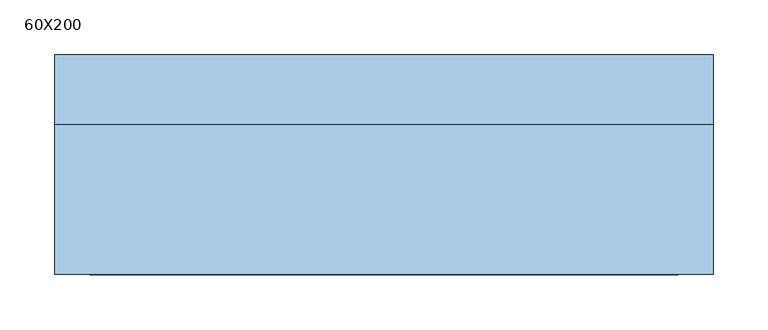
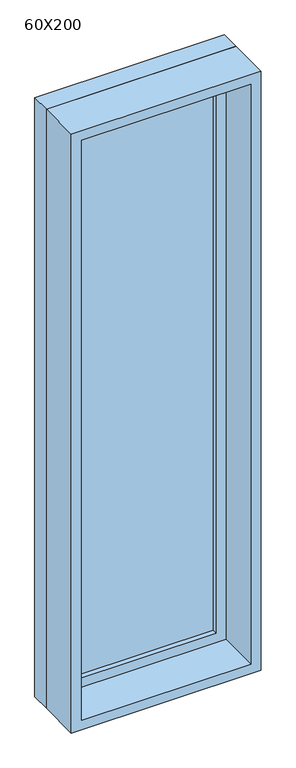
"""IFC4 building model written with IfcOpenShell, lengths in millimetres: window geometry, 60X200."""

import ifcopenshell
import ifcopenshell.guid

model = None  # the IFC model being written
_history = None  # IfcOwnerHistory: only IFC2X3 demands one
_inside = {}  # id of a spatial element -> (the spatial element, [elements in it])
_under = {}  # id of a project, library or spatial element -> (it, [spatial elements below it])
_declared = {}  # id of a project -> (the project, [libraries it declares])
_typed = {}  # id of a type object -> (the type object, [elements of that type])
_made_of = {}  # id of a material, layer set ... -> (it, [elements and type objects made of it])


def new_model(schema):
    """Start an empty IFC model of exactly this schema.

    Asked for "IFC4X3", IfcOpenShell would pick the latest addendum, in which some entities
    have other attributes; the version numbers below select the first issue.
    IFC2X3 requires an IfcOwnerHistory on every rooted entity: one is made here for all.
    """
    global model, _history
    if schema == "IFC4X3":
        model = ifcopenshell.file(schema_version=(4, 3, 0, 0))
    else:
        model = ifcopenshell.file(schema=schema)
    _inside.clear()
    _under.clear()
    _declared.clear()
    _typed.clear()
    _made_of.clear()
    _history = None
    if model.schema == "IFC2X3":
        org = make("IfcOrganization", Name="unknown")
        user = make(
            "IfcPersonAndOrganization",
            ThePerson=make("IfcPerson", FamilyName="unknown"),
            TheOrganization=org,
        )
        app = make(
            "IfcApplication",
            ApplicationDeveloper=org,
            Version="unknown",
            ApplicationFullName="unknown",
            ApplicationIdentifier="unknown",
        )
        _history = make(
            "IfcOwnerHistory",
            OwningUser=user,
            OwningApplication=app,
            ChangeAction="ADDED",
            CreationDate=0,
        )
    return model


def make(cls, **values):
    """One entity of the class cls with the attributes given. An attribute that is None is left unset."""
    return model.create_entity(
        cls, **{name: value for name, value in values.items() if value is not None}
    )


def rooted(cls, **values):
    """An entity with a GlobalId (a new one), such as an element, a storey or a relation."""
    return make(cls, GlobalId=ifcopenshell.guid.new(), OwnerHistory=_history, **values)


def si_unit(unit_type, name, prefix=None):
    """IfcSIUnit, for example si_unit("LENGTHUNIT", "METRE", prefix="MILLI")."""
    return make("IfcSIUnit", UnitType=unit_type, Prefix=prefix, Name=name)


def assignment(units):
    """IfcUnitAssignment: the units of a project."""
    return None if units is None else make("IfcUnitAssignment", Units=units)


def point(xyz):
    """IfcCartesianPoint."""
    return None if xyz is None else make("IfcCartesianPoint", Coordinates=xyz)


def direction(xyz):
    """IfcDirection."""
    return None if xyz is None else make("IfcDirection", DirectionRatios=xyz)


def frame(location, z_axis=None, x_axis=None):
    """IfcAxis2Placement3D, a coordinate frame: its origin and axes. An axis left out is left unset."""
    return make(
        "IfcAxis2Placement3D",
        Location=point(location),
        Axis=direction(z_axis),
        RefDirection=direction(x_axis),
    )


def origin():
    """The frame at (0, 0, 0) with its axes left unset."""
    return frame((0.0, 0.0, 0.0))


def place(relative_to, where):
    """IfcLocalPlacement: puts the frame where relative to a parent placement (None: the world)."""
    return make(
        "IfcLocalPlacement", PlacementRelTo=relative_to, RelativePlacement=where
    )


def context(
    kind, dimensions, precision=None, world=None, true_north=None, identifier=None
):
    """IfcGeometricRepresentationContext, for example the 3D "Model" context."""
    return make(
        "IfcGeometricRepresentationContext",
        ContextIdentifier=identifier,
        ContextType=kind,
        CoordinateSpaceDimension=dimensions,
        Precision=precision,
        WorldCoordinateSystem=world,
        TrueNorth=true_north,
    )


def project(units=None, contexts=None):
    """IfcProject with its units and contexts."""
    return rooted(
        "IfcProject",
        Name="project",
        RepresentationContexts=contexts,
        UnitsInContext=assignment(units),
    )


def spatial(cls, under=None, at=None, **own):
    """A site, building, storey or space (cls), placed at a placement, below another one or the project."""
    s = rooted(cls, ObjectPlacement=at, **own)
    if under is not None:
        _under.setdefault(under.id(), (under, []))[1].append(s)
    return s


def polyline(points):
    """IfcPolyline through the points."""
    return make("IfcPolyline", Points=[point(p) for p in points])


def outline(outer, holes=None, kind="AREA"):
    """IfcArbitraryClosedProfileDef: a profile drawn as a closed curve; with holes, ...WithVoids."""
    if holes is None:
        return make("IfcArbitraryClosedProfileDef", ProfileType=kind, OuterCurve=outer)
    return make(
        "IfcArbitraryProfileDefWithVoids",
        ProfileType=kind,
        OuterCurve=outer,
        InnerCurves=holes,
    )


def extrude(swept, where, along, depth):
    """IfcExtrudedAreaSolid: the profile swept, set in the frame where, extruded along a direction by depth."""
    return make(
        "IfcExtrudedAreaSolid",
        SweptArea=swept,
        Position=where,
        ExtrudedDirection=direction(along),
        Depth=depth,
    )


def shape(context_of_items, identifier, shape_type, items):
    """IfcShapeRepresentation: the items that make up one representation, for example the "Body"."""
    return make(
        "IfcShapeRepresentation",
        ContextOfItems=context_of_items,
        RepresentationIdentifier=identifier,
        RepresentationType=shape_type,
        Items=items,
    )


def source(mapping_origin, context_of_items, identifier, shape_type, items):
    """IfcRepresentationMap: a shape defined once, which mapped items show again and again."""
    return make(
        "IfcRepresentationMap",
        MappingOrigin=mapping_origin,
        MappedRepresentation=shape(context_of_items, identifier, shape_type, items),
    )


def transform(
    local_origin,
    x_axis=None,
    y_axis=None,
    z_axis=None,
    scale=None,
    scale2=None,
    scale3=None,
    uniform=True,
):
    """IfcCartesianTransformationOperator3D, or its non-uniform kind. x_axis, y_axis, z_axis: its Axis1, 2, 3."""
    if uniform:
        return make(
            "IfcCartesianTransformationOperator3D",
            Axis1=direction(x_axis),
            Axis2=direction(y_axis),
            LocalOrigin=point(local_origin),
            Scale=scale,
            Axis3=direction(z_axis),
        )
    return make(
        "IfcCartesianTransformationOperator3DnonUniform",
        Axis1=direction(x_axis),
        Axis2=direction(y_axis),
        LocalOrigin=point(local_origin),
        Scale=scale,
        Axis3=direction(z_axis),
        Scale2=scale2,
        Scale3=scale3,
    )


def mapped(mapping_source, mapping_target):
    """IfcMappedItem: shows the shape of a source again, moved by a transform."""
    return make(
        "IfcMappedItem", MappingSource=mapping_source, MappingTarget=mapping_target
    )


def made_of(thing, what):
    """Note that an element or type object is made of a material, layer set ...; save() writes the relation."""
    if what is not None:
        _made_of.setdefault(what.id(), (what, []))[1].append(thing)
    return thing


def element(
    cls,
    number,
    at=None,
    inside=None,
    cuts=None,
    type_object=None,
    material=None,
    context=None,
    identifier="Body",
    shape_type=None,
    held_by="IfcProductDefinitionShape",
    body=None,
    shapes=None,
    **own,
):
    """One element of the class cls, such as IfcWall. Its Tag is "e" and its number.

    at: its placement. inside: the storey or other place that contains it. cuts: it is an
    opening in that element (IfcRelVoidsElement). A single representation is given by context,
    identifier, shape_type and body (its items); several are given by shapes. held_by: the class
    of the entity that holds the representations. save() writes the other relations.
    """
    e = rooted(cls, Tag="e%d" % number, ObjectPlacement=at, **own)
    if body is not None:
        shapes = [shape(context, identifier, shape_type, body)]
    if shapes is not None:
        e.Representation = make(held_by, Representations=shapes)
    if inside is not None:
        _inside.setdefault(inside.id(), (inside, []))[1].append(e)
    if cuts is not None:
        rooted(
            "IfcRelVoidsElement", RelatingBuildingElement=cuts, RelatedOpeningElement=e
        )
    if type_object is not None:
        _typed.setdefault(type_object.id(), (type_object, []))[1].append(e)
    return made_of(e, material)


def aggregate(whole, parts):
    """IfcRelAggregates: a whole, such as a stair, and the parts it consists of."""
    return rooted("IfcRelAggregates", RelatingObject=whole, RelatedObjects=parts)


def save(model, path):
    """Write the relations noted so far, then the file.

    IfcRelAggregates (storeys below a building ...), IfcRelContainedInSpatialStructure (elements
    in a storey), IfcRelDefinesByType, IfcRelAssociatesMaterial and IfcRelDeclares: one each for
    every whole, place, type object, material and project.
    """
    for whole, parts in _under.values():
        aggregate(whole, parts)
    for where, things in _inside.values():
        rooted(
            "IfcRelContainedInSpatialStructure",
            RelatedElements=things,
            RelatingStructure=where,
        )
    for kind, things in _typed.values():
        rooted("IfcRelDefinesByType", RelatedObjects=things, RelatingType=kind)
    for what, things in _made_of.values():
        rooted("IfcRelAssociatesMaterial", RelatedObjects=things, RelatingMaterial=what)
    for by, libraries in _declared.values():
        rooted("IfcRelDeclares", RelatingContext=by, RelatedDefinitions=libraries)
    model.write(path)


def window_60x200_fc827664(model_context):
    return source(origin(), model_context, "Body", "SweptSolid", [
        extrude(outline(polyline([(198.4, 52.375), (-274.6, 52.375), (-274.6, 65.075), (198.4, 65.075), (198.4, 52.375)])), frame((0.0, 0.0, 977.9), z_axis=(0.0, 0.0, 1.0), x_axis=(1.0, 0.0, 0.0)), (0.0, 0.0, 1.0), 1873.0),
        extrude(outline(polyline([(2895.35, -319.05), (933.45, -319.05), (933.45, 242.85), (2895.35, 242.85), (2895.35, -319.05)]), holes=[polyline([(2850.9, -274.6), (2850.9, 198.4), (977.9, 198.4), (977.9, -274.6), (2850.9, -274.6)])]), frame((0.0, 36.5, 0.0), z_axis=(0.0, 1.0, 0.0), x_axis=(0.0, 0.0, 1.0)), (0.0, 0.0, 1.0), 44.45),
        extrude(outline(polyline([(2914.4, -338.1), (914.4, -338.1), (914.4, 261.9), (2914.4, 261.9), (2914.4, -338.1)]), holes=[polyline([(2882.65, -306.35), (2882.65, 230.15), (946.15, 230.15), (946.15, -306.35), (2882.65, -306.35)])]), frame((0.0, -100.0, 0.0), z_axis=(0.0, 1.0, 0.0), x_axis=(0.0, 0.0, 1.0)), (0.0, 0.0, 1.0), 136.5),
        extrude(outline(polyline([(2914.4, 261.9), (2914.4, -338.1), (914.4, -338.1), (914.4, 261.9), (2914.4, 261.9)]), holes=[polyline([(2895.35, 242.85), (933.45, 242.85), (933.45, -319.05), (2895.35, -319.05), (2895.35, 242.85)])]), frame((0.0, 36.5, 0.0), z_axis=(0.0, 1.0, 0.0), x_axis=(0.0, 0.0, 1.0)), (0.0, 0.0, 1.0), 63.5),
    ])


if __name__ == "__main__":
    model = new_model("IFC4")
    model_context = context("Model", 3, world=origin())
    ifc_project = project(units=[si_unit("LENGTHUNIT", "METRE", prefix="MILLI")], contexts=[model_context])
    site = spatial("IfcSite", under=ifc_project)
    building = spatial("IfcBuilding", under=site)
    placement = place(None, origin())
    window_60x200_shape = window_60x200_fc827664(model_context)
    element("IfcWindow", 1, ObjectType="60X200", at=placement, inside=building, context=model_context, shape_type="MappedRepresentation", body=[
        mapped(window_60x200_shape, transform((0.0, 0.0, 0.0), x_axis=(1.0, 0.0, 0.0), y_axis=(0.0, 1.0, 0.0), z_axis=(0.0, 0.0, 1.0))),
    ])
    save(model, "model.ifc")
